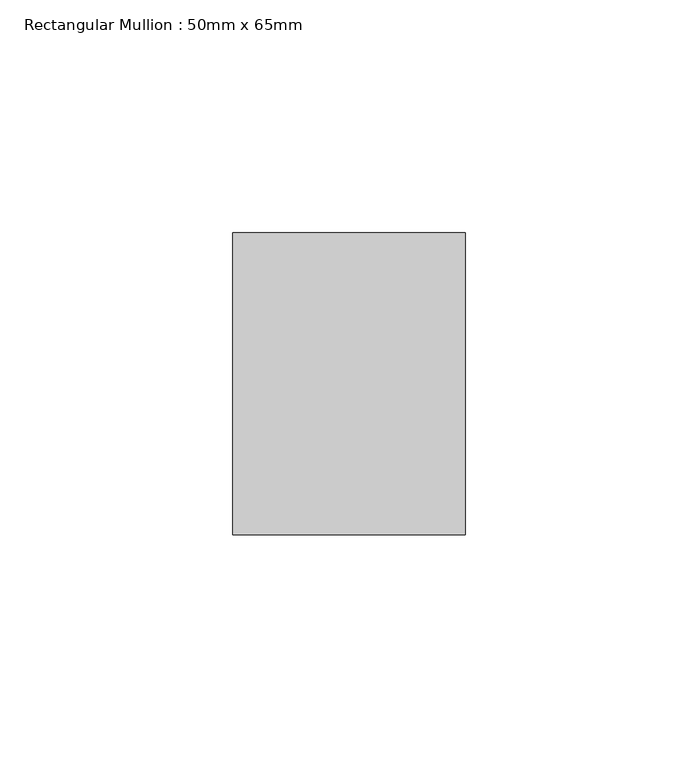
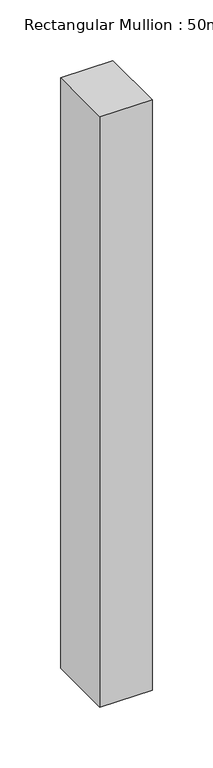
"""IFC4 building model written with IfcOpenShell, lengths in millimetres: member geometry, Rectangular Mullion : 50mm x 65mm."""

from ifc_helpers import new_model, si_unit, frame, origin, place, context, project, spatial, polyline, outline, extrude, source, transform, mapped, element, save


def rectangular_mullion_50mm_x_65mm_d976fe20(model_context):
    return source(origin(), model_context, "Body", "SweptSolid", [
        extrude(outline(polyline([(25.0, 32.5), (25.0, -32.5), (-25.0, -32.5), (-25.0, 32.5), (25.0, 32.5)])), frame((0.0, 0.0, -595.7759898), z_axis=(0.0, 0.0, 1.0), x_axis=(1.0, 0.0, 0.0)), (0.0, 0.0, 1.0), 595.7759898),
    ])


if __name__ == "__main__":
    model = new_model("IFC4")
    model_context = context("Model", 3, world=origin())
    ifc_project = project(units=[si_unit("LENGTHUNIT", "METRE", prefix="MILLI")], contexts=[model_context])
    site = spatial("IfcSite", under=ifc_project)
    building = spatial("IfcBuilding", under=site)
    placement = place(None, origin())
    rectangular_mullion_50mm_x_65mm_shape = rectangular_mullion_50mm_x_65mm_d976fe20(model_context)
    element("IfcMember", 1, ObjectType="Rectangular Mullion : 50mm x 65mm", at=placement, inside=building, context=model_context, shape_type="MappedRepresentation", body=[
        mapped(rectangular_mullion_50mm_x_65mm_shape, transform((0.0, 0.0, 0.0), x_axis=(1.0, 0.0, 0.0), y_axis=(0.0, 1.0, 0.0), z_axis=(0.0, 0.0, 1.0))),
    ])
    save(model, "model.ifc")
